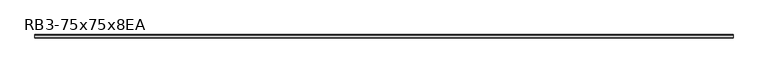
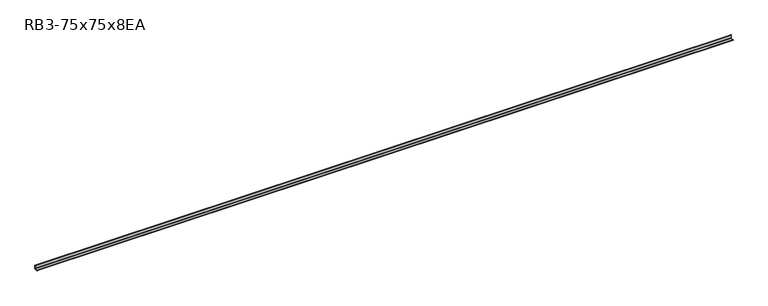
"""IFC4 building model written with IfcOpenShell, lengths in millimetres: member geometry, RB3-75x75x8EA."""

from ifc_helpers import new_model, si_unit, point, frame, frame_2d, origin, place, context, project, spatial, polyline, circle_curve, trimmed, segment, composite_curve, outline, extrude, source, transform, mapped, element, save


def rb3_75x75x8ea_8e84992a(model_context):
    return source(origin(), model_context, "Body", "SweptSolid", [
        extrude(outline(composite_curve([segment(polyline([(21.3, -21.3), (-53.7, -21.3), (-53.7, -18.3)]), True, "CONTINUOUS"), segment(trimmed(circle_curve(frame_2d((-48.7, -18.3)), 5.0), [point((-53.7, -18.3))], [point((-48.7, -13.3))], False, "CARTESIAN"), True, "CONTINUOUS"), segment(polyline([(-48.7, -13.3), (5.3, -13.3)]), True, "CONTINUOUS"), segment(trimmed(circle_curve(frame_2d((5.3, -5.3)), 8.0), [point((5.3, -13.3))], [point((13.3, -5.3))], True, "CARTESIAN"), True, "CONTINUOUS"), segment(polyline([(13.3, -5.3), (13.3, 48.7)]), True, "CONTINUOUS"), segment(trimmed(circle_curve(frame_2d((18.3, 48.7)), 5.0), [point((13.3, 48.7))], [point((18.3, 53.7))], False, "CARTESIAN"), True, "CONTINUOUS"), segment(polyline([(18.3, 53.7), (21.3, 53.7), (21.3, -21.3)]), True, "CONTINUOUS")], self_intersect=False)), frame((-7252.0, 0.0, 0.0), z_axis=(1.0, 0.0, 0.0), x_axis=(0.0, 1.0, 0.0)), (0.0, 0.0, 1.0), 14862.0),
    ])


if __name__ == "__main__":
    model = new_model("IFC4")
    model_context = context("Model", 3, world=origin())
    ifc_project = project(units=[si_unit("LENGTHUNIT", "METRE", prefix="MILLI")], contexts=[model_context])
    site = spatial("IfcSite", under=ifc_project)
    building = spatial("IfcBuilding", under=site)
    placement = place(None, origin())
    rb3_75x75x8ea_shape = rb3_75x75x8ea_8e84992a(model_context)
    element("IfcMember", 1, ObjectType="RB3-75x75x8EA", at=placement, inside=building, context=model_context, shape_type="MappedRepresentation", body=[
        mapped(rb3_75x75x8ea_shape, transform((0.0, 0.0, 0.0), x_axis=(1.0, 0.0, 0.0), y_axis=(0.0, 1.0, 0.0), z_axis=(0.0, 0.0, 1.0))),
    ])
    save(model, "model.ifc")
